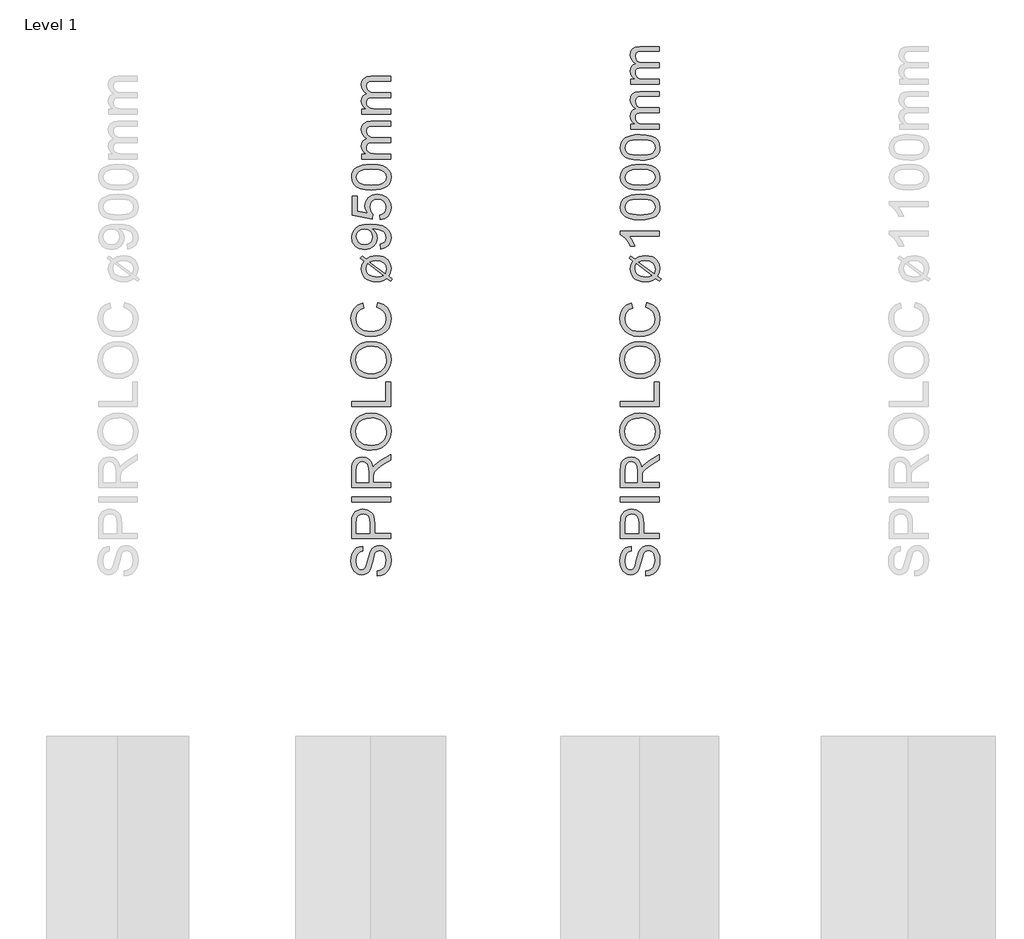
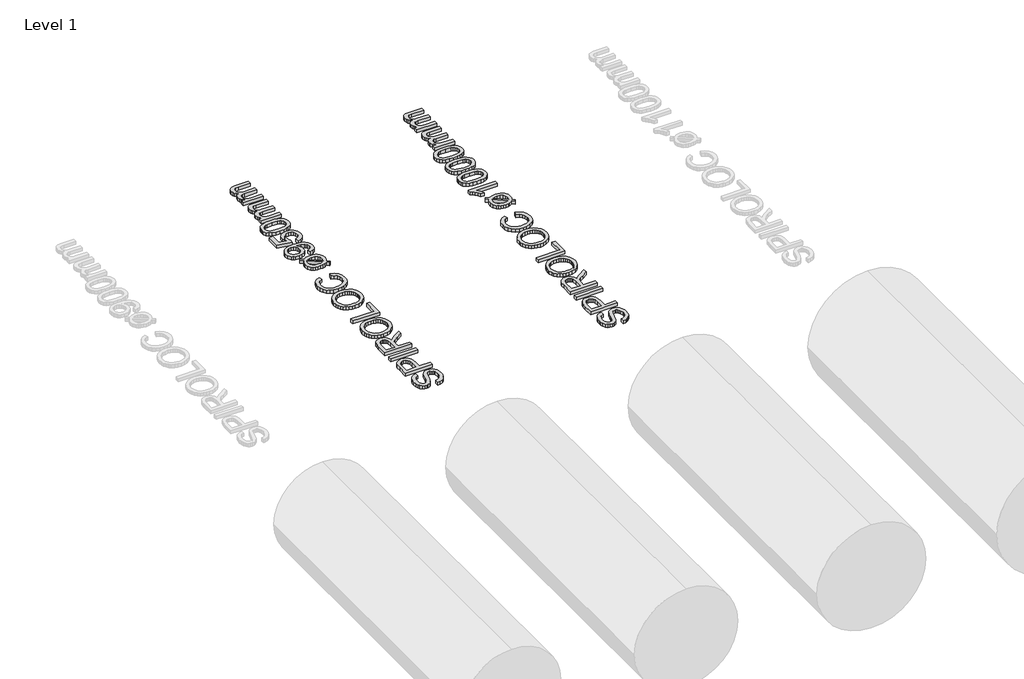
# One storey, part 13 of 19: 2 proxies.
"""IFC4 building model written with IfcOpenShell, lengths in millimetres."""

from ifc_helpers import new_model, si_unit, origin, origin_with_axes, place, context, project, spatial, polyline, outline, extrude, element, save

model = new_model("IFC4")

# Units and contexts
model_context = context("Model", 3, world=origin())
ifc_project = project(units=[si_unit("LENGTHUNIT", "METRE", prefix="MILLI")], contexts=[model_context])

# Site, building, storey
site = spatial("IfcSite", under=ifc_project)
building = spatial("IfcBuilding", under=site)
storey = spatial("IfcBuildingStorey", under=building, Name="Level 1", Elevation=0.0)

# Proxies
placement = place(None, origin())
element("IfcBuildingElementProxy", 1, Name="250mm", ObjectType="250mm", at=placement, inside=storey, context=model_context, shape_type="SweptSolid", body=[
    extrude(outline(polyline([(3788.3043383, 11932.8312074), (3788.3043383, 11963.6004382), (3805.3791581, 11967.1310873), (3819.1036172, 11973.5163036), (3829.9960451, 11983.4772411), (3838.574771, 11997.7350536), (3844.1411773, 12015.1629382), (3845.996646, 12034.6340921), (3840.3776557, 12066.7855344), (3833.7069826, 12078.9474935), (3824.9329441, 12087.5487555), (3814.8593263, 12092.6644406), (3804.2899153, 12094.369669), (3785.0891941, 12089.2614959), (3777.4945427, 12081.479044), (3771.1168383, 12068.3480344), (3759.3680403, 12023.5463517), (3744.1937614, 11975.3191882), (3733.8421989, 11960.002181), (3721.2971268, 11949.1473132), (3706.8289778, 11942.6794647), (3690.7081845, 11940.5235151), (3672.6868504, 11943.190282), (3655.8824633, 11951.1905824), (3641.6396749, 11964.31408), (3631.3031364, 11982.3504382), (3625.0155763, 12004.0000776), (3622.919723, 12027.963419), (3625.1132326, 12053.9249574), (3631.6937614, 12076.6413036), (3642.5260932, 12095.3011594), (3657.4750114, 12109.0932267), (3675.6090258, 12117.822193), (3695.996646, 12121.2927459), (3695.996646, 12090.5235151), (3677.637271, 12084.8744767), (3664.3860691, 12073.0956305), (3656.3632326, 12054.6911834), (3653.6889537, 12029.1653421), (3656.3331845, 12003.0385392), (3664.2658768, 11985.1148613), (3675.9395547, 11974.7482748), (3689.8067422, 11971.2927459), (3701.6306605, 11973.7416642), (3711.1408768, 11981.088419), (3719.6444826, 11998.4562074), (3728.3283768, 12031.3288036), (3743.7730883, 12085.775919), (3754.9359489, 12103.3164839), (3768.7129922, 12115.5535632), (3784.9539778, 12122.7425656), (3803.5086653, 12125.1388998), (3822.4765138, 12122.3819887), (3840.3175595, 12114.1112555), (3855.6721268, 12100.6647411), (3867.1805403, 12082.3804863), (3874.3695427, 12060.392806), (3876.7658768, 12035.8360151), (3874.1817422, 12005.690282), (3866.4293383, 11980.8780824), (3853.4786172, 11961.1139599), (3835.2995307, 11946.1124574), (3813.154098, 11936.4820488), (3788.3043383, 11932.8312074)])), origin_with_axes(), (0.0, 0.0, 1.0), 30.0),
    extrude(outline(polyline([(3872.919723, 12171.2927459), (3626.7658768, 12171.2927459), (3626.7658768, 12262.5187074), (3629.1096268, 12299.2975536), (3633.489134, 12315.6962916), (3640.6180403, 12329.1953901), (3650.8193624, 12340.065282), (3664.4161172, 12348.5763998), (3680.4542783, 12354.0751978), (3697.9798191, 12355.9081305), (3726.9912374, 12350.9577099), (3751.1649153, 12336.1064478), (3760.6826436, 12324.2130434), (3767.481021, 12308.3345127), (3771.5600475, 12288.4708559), (3772.919723, 12264.6220728), (3772.919723, 12202.0619767), (3872.919723, 12202.0619767), (3872.919723, 12171.2927459)]), holes=[polyline([(3742.1504922, 12202.0619767), (3742.1504922, 12266.4249574), (3739.325973, 12293.7086113), (3730.8524153, 12311.7374574), (3717.2556605, 12321.7885392), (3699.0615499, 12325.1388998), (3685.2394345, 12323.1632387), (3673.5807807, 12317.2362555), (3664.8067422, 12308.0941281), (3659.638473, 12296.4730344), (3657.5351076, 12265.7038036), (3657.5351076, 12202.0619767), (3742.1504922, 12202.0619767)])]), origin_with_axes(), (0.0, 0.0, 1.0), 30.0),
    extrude(outline(polyline([(3872.919723, 12402.0619767), (3626.7658768, 12402.0619767), (3626.7658768, 12432.8312074), (3872.919723, 12432.8312074), (3872.919723, 12402.0619767)])), origin_with_axes(), (0.0, 0.0, 1.0), 30.0),
    extrude(outline(polyline([(3872.919723, 12494.369669), (3626.7658768, 12494.369669), (3626.7658768, 12600.4393805), (3628.4260331, 12628.9474935), (3633.4065018, 12649.6881786), (3642.6012133, 12664.8474334), (3656.904098, 12676.6112555), (3674.6399754, 12684.1608349), (3694.1336653, 12686.6773613), (3718.3824633, 12682.5081906), (3738.4846268, 12670.0006786), (3753.2232085, 12648.7792243), (3761.3812614, 12618.4682267), (3774.5423191, 12635.9562074), (3806.2129922, 12660.8961113), (3872.919723, 12701.9417844), (3872.919723, 12666.1845728), (3821.8980883, 12634.1533228), (3788.1240499, 12611.0163036), (3772.168521, 12594.760294), (3766.309146, 12580.1268805), (3765.2274153, 12562.2783228), (3765.2274153, 12525.1388998), (3872.919723, 12525.1388998), (3872.919723, 12494.369669)]), holes=[polyline([(3734.4581845, 12525.1388998), (3734.4581845, 12594.0090921), (3730.1012133, 12629.135294), (3724.4371508, 12640.6887796), (3716.1589057, 12649.0872171), (3706.145384, 12654.2029022), (3695.2754922, 12655.9081305), (3680.2664778, 12652.6554262), (3668.1721268, 12642.8973132), (3660.1943624, 12626.1079502), (3657.5351076, 12601.7614959), (3657.5351076, 12525.1388998), (3734.4581845, 12525.1388998)])]), origin_with_axes(), (0.0, 0.0, 1.0), 30.0),
    extrude(outline(polyline([(3753.0879922, 12728.9850536), (3724.2155463, 12731.0358349), (3698.6559008, 12737.1881786), (3676.4090559, 12747.4420849), (3657.4750114, 12761.7975536), (3642.3570727, 12779.3944587), (3631.5585451, 12799.3726738), (3625.0794285, 12821.732199), (3622.919723, 12846.4730344), (3626.9762133, 12878.759693), (3639.1456845, 12907.7110151), (3658.5717662, 12931.7494767), (3684.3980883, 12949.2975536), (3715.3776557, 12960.0247171), (3750.263473, 12963.6004382), (3785.6150355, 12959.8369166), (3817.0302999, 12948.5463517), (3842.9016941, 12930.3522411), (3861.621646, 12905.8780824), (3872.9798191, 12877.174657), (3876.7658768, 12846.2927459), (3872.5816821, 12813.510294), (3860.029098, 12784.3937074), (3840.2424393, 12760.4153421), (3814.356021, 12743.0475536), (3784.5708648, 12732.5006786), (3753.0879922, 12728.9850536)]), holes=[polyline([(3753.388473, 12759.7542844), (3773.7873612, 12761.2923703), (3791.8950835, 12765.9066281), (3807.71164, 12773.5970578), (3821.2370307, 12784.3636594), (3832.0693624, 12797.4514749), (3839.8067422, 12812.1055464), (3844.4491701, 12828.3258739), (3845.996646, 12846.1124574), (3844.434146, 12864.2032778), (3839.746646, 12880.6151618), (3831.934146, 12895.3481095), (3820.996646, 12908.4021209), (3807.1857987, 12919.0898463), (3790.7532566, 12926.7239358), (3771.6990198, 12931.3043895), (3750.0230883, 12932.8312074), (3722.7845066, 12930.2170248), (3699.2418383, 12922.3744767), (3679.9885331, 12909.5063877), (3665.6180403, 12891.8155824), (3656.6712254, 12870.4739358), (3653.6889537, 12846.6533228), (3659.4356484, 12813.5553661), (3676.6757326, 12785.4153421), (3690.0903209, 12774.1886293), (3707.3473071, 12766.1695488), (3728.4466911, 12761.3581005), (3753.388473, 12759.7542844)])]), origin_with_axes(), (0.0, 0.0, 1.0), 30.0),
    extrude(outline(polyline([(3872.919723, 13005.9081305), (3626.7658768, 13005.9081305), (3626.7658768, 13036.6773613), (3842.1504922, 13036.6773613), (3842.1504922, 13159.7542844), (3872.919723, 13159.7542844), (3872.919723, 13005.9081305)])), origin_with_axes(), (0.0, 0.0, 1.0), 30.0),
    extrude(outline(polyline([(3753.0879922, 13182.8312074), (3724.2155463, 13184.8819887), (3698.6559008, 13191.0343324), (3676.4090559, 13201.2882387), (3657.4750114, 13215.6437074), (3642.3570727, 13233.2406125), (3631.5585451, 13253.2188276), (3625.0794285, 13275.5783529), (3622.919723, 13300.3191882), (3626.9762133, 13332.6058469), (3639.1456845, 13361.557169), (3658.5717662, 13385.5956305), (3684.3980883, 13403.1437074), (3715.3776557, 13413.8708709), (3750.263473, 13417.4465921), (3785.6150355, 13413.6830704), (3817.0302999, 13402.3925055), (3842.9016941, 13384.1983949), (3861.621646, 13359.7242363), (3872.9798191, 13331.0208108), (3876.7658768, 13300.1388998), (3872.5816821, 13267.3564478), (3860.029098, 13238.2398613), (3840.2424393, 13214.2614959), (3814.356021, 13196.8937074), (3784.5708648, 13186.3468324), (3753.0879922, 13182.8312074)]), holes=[polyline([(3753.388473, 13213.6004382), (3773.7873612, 13215.1385242), (3791.8950835, 13219.752782), (3807.71164, 13227.4432117), (3821.2370307, 13238.2098132), (3832.0693624, 13251.2976287), (3839.8067422, 13265.9517002), (3844.4491701, 13282.1720278), (3845.996646, 13299.9586113), (3844.434146, 13318.0494316), (3839.746646, 13334.4613156), (3831.934146, 13349.1942633), (3820.996646, 13362.2482748), (3807.1857987, 13372.9360001), (3790.7532566, 13380.5700897), (3771.6990198, 13385.1505434), (3750.0230883, 13386.6773613), (3722.7845066, 13384.0631786), (3699.2418383, 13376.2206305), (3679.9885331, 13363.3525416), (3665.6180403, 13345.6617363), (3656.6712254, 13324.3200897), (3653.6889537, 13300.4994767), (3659.4356484, 13267.4015199), (3676.6757326, 13239.2614959), (3690.0903209, 13228.0347832), (3707.3473071, 13220.0157026), (3728.4466911, 13215.2042543), (3753.388473, 13213.6004382)])]), origin_with_axes(), (0.0, 0.0, 1.0), 30.0),
    extrude(outline(polyline([(3785.419723, 13632.8312074), (3793.3524153, 13663.6004382), (3829.2072831, 13649.4027219), (3855.4016941, 13627.1220728), (3871.4248311, 13597.8552459), (3876.7658768, 13562.6989959), (3872.7244105, 13527.0093925), (3860.6000114, 13498.666544), (3840.8133528, 13476.9417844), (3813.7851076, 13461.1064478), (3782.0092662, 13451.4384791), (3747.9798191, 13448.2158228), (3712.0873912, 13451.8591522), (3681.0927999, 13462.7891401), (3655.9801196, 13480.4348733), (3637.7334249, 13504.2254382), (3626.6231484, 13532.4405824), (3622.919723, 13563.3600536), (3627.7123912, 13597.096532), (3642.090396, 13624.9886594), (3665.1673191, 13646.1650416), (3696.0567422, 13659.7542844), (3703.388473, 13628.9850536), (3680.9500715, 13618.3179863), (3665.5579441, 13603.744669), (3656.6562013, 13585.0848132), (3653.6889537, 13562.1581305), (3656.9792182, 13535.7308469), (3666.8500114, 13514.0211113), (3682.2646749, 13497.5472531), (3702.1865499, 13486.8276017), (3724.7075835, 13480.9456906), (3747.919723, 13478.9850536), (3776.3452037, 13481.3062675), (3800.9245307, 13488.2699094), (3820.7187013, 13500.1388998), (3834.7887133, 13517.1761594), (3843.1946629, 13537.6013397), (3845.996646, 13559.6340921), (3842.1805403, 13585.3176858), (3830.732223, 13606.7194286), (3811.7718864, 13622.877782), (3785.419723, 13632.8312074)])), origin_with_axes(), (0.0, 0.0, 1.0), 30.0),
    extrude(outline(polyline([(3705.8524153, 13924.8985151), (3681.5735691, 13943.2879382), (3692.7514537, 13957.9513998), (3718.1721268, 13938.6605344), (3744.434146, 13954.1653421), (3783.6168383, 13959.7542844), (3807.1595066, 13958.0077399), (3827.3668383, 13952.7681065), (3844.2388335, 13944.0353841), (3857.7754922, 13931.8095728), (3872.0182807, 13906.8245969), (3876.7658768, 13877.182169), (3872.7244105, 13852.4375776), (3860.6000114, 13830.7278421), (3884.4581845, 13812.6388998), (3873.5206845, 13797.7350536), (3850.7442422, 13815.0427459), (3827.5471268, 13801.0403421), (3807.7454441, 13796.0373373), (3785.4798191, 13794.369669), (3761.593476, 13795.8870969), (3741.2565619, 13800.4393805), (3724.4690769, 13808.0265199), (3711.231021, 13818.6485151), (3694.036009, 13845.0457507), (3688.3043383, 13875.6797651), (3692.5411172, 13900.619669), (3705.8524153, 13924.8985151)]), holes=[polyline([(3727.7274153, 13908.3119767), (3721.2370307, 13892.9273613), (3719.0735691, 13876.8215921), (3723.2277158, 13856.6142603), (3735.6901557, 13839.9826498), (3756.3707446, 13828.8498373), (3785.1793383, 13825.1388998), (3807.5952037, 13827.2873373), (3826.044723, 13833.7326498), (3727.7274153, 13908.3119767)]), polyline([(3743.1120307, 13919.7903421), (3840.888473, 13845.6316882), (3845.996646, 13875.1989959), (3841.9326436, 13896.5331305), (3829.7406364, 13913.7807267), (3809.4356484, 13925.1839719), (3781.0327037, 13928.9850536), (3759.8187614, 13926.6413036), (3743.1120307, 13919.7903421)])]), origin_with_axes(), (0.0, 0.0, 1.0), 30.0),
    extrude(outline(polyline([(3811.3812614, 14002.0619767), (3807.5351076, 14032.8312074), (3825.0005523, 14038.0896209), (3836.8920787, 14046.6533228), (3843.7205042, 14058.3119767), (3845.996646, 14072.8552459), (3840.137271, 14097.7651017), (3833.2938215, 14107.6208709), (3824.482223, 14114.6521209), (3797.7394345, 14124.7182267), (3762.0423191, 14129.1653421), (3756.0327037, 14128.9850536), (3769.043521, 14118.3254983), (3779.3500114, 14104.3756786), (3786.0657566, 14088.142205), (3788.3043383, 14070.6316882), (3782.8355883, 14042.5742964), (3766.4293383, 14019.2194286), (3741.0837855, 14003.4667243), (3708.7971268, 13998.2158228), (3675.4437614, 14003.7221329), (3661.4714057, 14010.6050206), (3649.3019345, 14020.2410632), (3632.3998912, 14045.0532627), (3626.7658768, 14075.4393805), (3629.981021, 14098.3885993), (3639.6264537, 14119.2795248), (3655.2214057, 14136.7524815), (3676.2851076, 14149.447794), (3705.4016941, 14157.1776618), (3745.1552999, 14159.7542844), (3787.3052398, 14157.1851738), (3819.8848672, 14149.4778421), (3844.3665379, 14136.6998974), (3862.2226076, 14118.9189478), (3873.1300595, 14096.9012195), (3876.7658768, 14071.4129382), (3872.4765138, 14045.1058469), (3859.6084249, 14024.1172651), (3838.9729081, 14009.4387796), (3811.3812614, 14002.0619767)]), holes=[polyline([(3708.075973, 14128.9850536), (3687.2226076, 14125.6647411), (3671.1769345, 14115.7038036), (3660.9455643, 14100.244068), (3657.5351076, 14080.4273613), (3661.208485, 14059.8744767), (3672.2286172, 14043.4081305), (3689.0931004, 14032.5908228), (3710.2995307, 14028.9850536), (3729.3124513, 14032.3955103), (3744.404098, 14042.6268805), (3754.2523552, 14058.6875776), (3757.5351076, 14079.5860151), (3754.2523552, 14099.2449695), (3744.404098, 14115.072794), (3728.7565619, 14125.5069887), (3708.075973, 14128.9850536)])]), origin_with_axes(), (0.0, 0.0, 1.0), 30.0),
    extrude(outline(polyline([(3807.5351076, 14186.6773613), (3803.6889537, 14217.4465921), (3822.161009, 14223.0956305), (3835.3896749, 14232.9513998), (3843.3449033, 14246.9688276), (3845.996646, 14265.1028421), (3842.3082446, 14287.1581305), (3831.2430403, 14303.6845728), (3814.0780763, 14314.0060873), (3792.090396, 14317.4465921), (3771.387271, 14314.2239358), (3755.5519345, 14304.5559671), (3745.5008528, 14288.3675656), (3742.1504922, 14265.5836113), (3747.4990499, 14238.5703901), (3761.3812614, 14221.2927459), (3757.5351076, 14190.5235151), (3630.6120307, 14217.4465921), (3630.6120307, 14336.6773613), (3661.3812614, 14336.6773613), (3661.3812614, 14242.3263998), (3729.169723, 14229.1653421), (3715.8283768, 14251.1455103), (3711.3812614, 14274.1773613), (3716.8950835, 14302.9258589), (3733.4365499, 14326.791544), (3758.6468864, 14342.8597531), (3790.1673191, 14348.2158228), (3820.9365499, 14343.3931065), (3847.2586653, 14328.9249574), (3860.1680703, 14316.1395007), (3869.3890739, 14301.2206305), (3874.9216761, 14284.1683469), (3876.7658768, 14264.9826498), (3872.0257927, 14234.7617964), (3857.8055403, 14210.6857748), (3835.7577638, 14194.1818685), (3807.5351076, 14186.6773613)])), origin_with_axes(), (0.0, 0.0, 1.0), 30.0),
    extrude(outline(polyline([(3751.825973, 14375.1388998), (3712.4254321, 14377.4000175), (3681.0026557, 14384.1833709), (3657.0768744, 14395.4213517), (3640.1673191, 14411.0463517), (3630.1162374, 14431.1710512), (3626.7658768, 14455.9081305), (3628.7490499, 14474.8684671), (3634.6985691, 14491.8456305), (3644.3815619, 14506.0433469), (3657.5651557, 14516.6653421), (3693.9834249, 14531.088419), (3719.1862494, 14535.2801257), (3751.825973, 14536.6773613), (3791.0011533, 14534.4387796), (3822.3488095, 14527.7230344), (3846.2971268, 14516.5526618), (3863.2742903, 14500.9501978), (3873.3929802, 14480.7804262), (3876.7658768, 14455.9081305), (3875.3010331, 14438.9610151), (3870.9065018, 14423.9369767), (3863.5822831, 14410.8360151), (3853.3283768, 14399.6581305), (3834.7924694, 14388.9309671), (3811.6967662, 14381.2687074), (3784.0412674, 14376.6713517), (3751.825973, 14375.1388998)]), holes=[polyline([(3751.7658768, 14405.9081305), (3800.1658167, 14409.5138998), (3816.7204291, 14414.0211113), (3828.1781364, 14420.3312074), (3841.5420186, 14436.4369767), (3845.996646, 14455.9081305), (3841.5269946, 14475.3792844), (3828.1180403, 14491.4850536), (3816.6415529, 14497.7951498), (3800.0906965, 14502.3023613), (3751.7658768, 14505.9081305), (3704.4551797, 14502.4225536), (3687.9550295, 14498.0655824), (3676.2250114, 14491.9658228), (3662.2075835, 14475.8901017), (3657.5351076, 14455.5475536), (3661.6516941, 14436.2867363), (3674.0014537, 14420.8119767), (3686.7718864, 14414.291544), (3703.9894345, 14409.6340921), (3751.7658768, 14405.9081305)])]), origin_with_axes(), (0.0, 0.0, 1.0), 30.0),
    extrude(outline(polyline([(3872.919723, 14571.2927459), (3692.1504922, 14571.2927459), (3692.1504922, 14602.0619767), (3721.8980883, 14602.0619767), (3708.2337254, 14611.3167844), (3697.529098, 14623.2158228), (3690.6105283, 14637.353443), (3688.3043383, 14653.3239959), (3690.6556004, 14670.4363757), (3697.7093864, 14684.1533228), (3708.9999513, 14694.3997171), (3724.0615499, 14701.1004382), (3708.4177698, 14712.3158829), (3697.2436412, 14725.1088517), (3690.5391641, 14739.4793445), (3688.3043383, 14755.4273613), (3692.0227879, 14778.5568685), (3703.1781364, 14795.6617363), (3722.0708648, 14806.2311474), (3749.0014537, 14809.7542844), (3872.919723, 14809.7542844), (3872.919723, 14778.9850536), (3762.2226076, 14778.9850536), (3736.5315018, 14776.1304863), (3723.8812614, 14765.7939478), (3719.0735691, 14748.2158228), (3722.153497, 14731.5466522), (3731.3932807, 14717.9574094), (3747.4239297, 14708.9204502), (3770.8764537, 14705.9081305), (3872.919723, 14705.9081305), (3872.919723, 14675.1388998), (3758.7971268, 14675.1388998), (3741.3992903, 14673.3585512), (3728.9894345, 14668.0175055), (3721.5525355, 14658.6199695), (3719.0735691, 14644.6701498), (3720.7262133, 14632.8161834), (3725.684146, 14621.8937074), (3733.8271749, 14612.8792844), (3745.0351076, 14606.7494767), (3781.7538576, 14602.0619767), (3872.919723, 14602.0619767), (3872.919723, 14571.2927459)])), origin_with_axes(), (0.0, 0.0, 1.0), 30.0),
    extrude(outline(polyline([(3872.919723, 14855.9081305), (3692.1504922, 14855.9081305), (3692.1504922, 14886.6773613), (3721.8980883, 14886.6773613), (3708.2337254, 14895.932169), (3697.529098, 14907.8312074), (3690.6105283, 14921.9688276), (3688.3043383, 14937.9393805), (3690.6556004, 14955.0517603), (3697.7093864, 14968.7687074), (3708.9999513, 14979.0151017), (3724.0615499, 14985.7158228), (3708.4177698, 14996.9312675), (3697.2436412, 15009.7242363), (3690.5391641, 15024.0947291), (3688.3043383, 15040.0427459), (3692.0227879, 15063.1722531), (3703.1781364, 15080.2771209), (3722.0708648, 15090.846532), (3749.0014537, 15094.369669), (3872.919723, 15094.369669), (3872.919723, 15063.6004382), (3762.2226076, 15063.6004382), (3736.5315018, 15060.7458709), (3723.8812614, 15050.4093324), (3719.0735691, 15032.8312074), (3722.153497, 15016.1620368), (3731.3932807, 15002.572794), (3747.4239297, 14993.5358349), (3770.8764537, 14990.5235151), (3872.919723, 14990.5235151), (3872.919723, 14959.7542844), (3758.7971268, 14959.7542844), (3741.3992903, 14957.9739358), (3728.9894345, 14952.6328901), (3721.5525355, 14943.2353541), (3719.0735691, 14929.2855344), (3720.7262133, 14917.431568), (3725.684146, 14906.5090921), (3733.8271749, 14897.494669), (3745.0351076, 14891.3648613), (3781.7538576, 14886.6773613), (3872.919723, 14886.6773613), (3872.919723, 14855.9081305)])), origin_with_axes(), (0.0, 0.0, 1.0), 30.0),
])
element("IfcBuildingElementProxy", 2, Name="250mm", ObjectType="250mm", at=placement, inside=storey, context=model_context, shape_type="SweptSolid", body=[
    extrude(outline(polyline([(5488.3043383, 11932.8312074), (5488.3043383, 11963.6004382), (5505.3791581, 11967.1310873), (5519.1036172, 11973.5163036), (5529.9960451, 11983.4772411), (5538.574771, 11997.7350536), (5544.1411773, 12015.1629382), (5545.996646, 12034.6340921), (5540.3776557, 12066.7855344), (5533.7069826, 12078.9474935), (5524.9329441, 12087.5487555), (5514.8593263, 12092.6644406), (5504.2899153, 12094.369669), (5485.0891941, 12089.2614959), (5477.4945427, 12081.479044), (5471.1168383, 12068.3480344), (5459.3680403, 12023.5463517), (5444.1937614, 11975.3191882), (5433.8421989, 11960.002181), (5421.2971268, 11949.1473132), (5406.8289778, 11942.6794647), (5390.7081845, 11940.5235151), (5372.6868504, 11943.190282), (5355.8824633, 11951.1905824), (5341.6396749, 11964.31408), (5331.3031364, 11982.3504382), (5325.0155763, 12004.0000776), (5322.919723, 12027.963419), (5325.1132326, 12053.9249574), (5331.6937614, 12076.6413036), (5342.5260932, 12095.3011594), (5357.4750114, 12109.0932267), (5375.6090258, 12117.822193), (5395.996646, 12121.2927459), (5395.996646, 12090.5235151), (5377.637271, 12084.8744767), (5364.3860691, 12073.0956305), (5356.3632326, 12054.6911834), (5353.6889537, 12029.1653421), (5356.3331845, 12003.0385392), (5364.2658768, 11985.1148613), (5375.9395547, 11974.7482748), (5389.8067422, 11971.2927459), (5401.6306605, 11973.7416642), (5411.1408768, 11981.088419), (5419.6444826, 11998.4562074), (5428.3283768, 12031.3288036), (5443.7730883, 12085.775919), (5454.9359489, 12103.3164839), (5468.7129922, 12115.5535632), (5484.9539778, 12122.7425656), (5503.5086653, 12125.1388998), (5522.4765138, 12122.3819887), (5540.3175595, 12114.1112555), (5555.6721268, 12100.6647411), (5567.1805403, 12082.3804863), (5574.3695427, 12060.392806), (5576.7658768, 12035.8360151), (5574.1817422, 12005.690282), (5566.4293383, 11980.8780824), (5553.4786172, 11961.1139599), (5535.2995307, 11946.1124574), (5513.154098, 11936.4820488), (5488.3043383, 11932.8312074)])), origin_with_axes(), (0.0, 0.0, 1.0), 30.0),
    extrude(outline(polyline([(5572.919723, 12171.2927459), (5326.7658768, 12171.2927459), (5326.7658768, 12262.5187074), (5329.1096268, 12299.2975536), (5333.489134, 12315.6962916), (5340.6180403, 12329.1953901), (5350.8193624, 12340.065282), (5364.4161172, 12348.5763998), (5380.4542783, 12354.0751978), (5397.9798191, 12355.9081305), (5426.9912374, 12350.9577099), (5451.1649153, 12336.1064478), (5460.6826436, 12324.2130434), (5467.481021, 12308.3345127), (5471.5600475, 12288.4708559), (5472.919723, 12264.6220728), (5472.919723, 12202.0619767), (5572.919723, 12202.0619767), (5572.919723, 12171.2927459)]), holes=[polyline([(5442.1504922, 12202.0619767), (5442.1504922, 12266.4249574), (5439.325973, 12293.7086113), (5430.8524153, 12311.7374574), (5417.2556605, 12321.7885392), (5399.0615499, 12325.1388998), (5385.2394345, 12323.1632387), (5373.5807807, 12317.2362555), (5364.8067422, 12308.0941281), (5359.638473, 12296.4730344), (5357.5351076, 12265.7038036), (5357.5351076, 12202.0619767), (5442.1504922, 12202.0619767)])]), origin_with_axes(), (0.0, 0.0, 1.0), 30.0),
    extrude(outline(polyline([(5572.919723, 12402.0619767), (5326.7658768, 12402.0619767), (5326.7658768, 12432.8312074), (5572.919723, 12432.8312074), (5572.919723, 12402.0619767)])), origin_with_axes(), (0.0, 0.0, 1.0), 30.0),
    extrude(outline(polyline([(5572.919723, 12494.369669), (5326.7658768, 12494.369669), (5326.7658768, 12600.4393805), (5328.4260331, 12628.9474935), (5333.4065018, 12649.6881786), (5342.6012133, 12664.8474334), (5356.904098, 12676.6112555), (5374.6399754, 12684.1608349), (5394.1336653, 12686.6773613), (5418.3824633, 12682.5081906), (5438.4846268, 12670.0006786), (5453.2232085, 12648.7792243), (5461.3812614, 12618.4682267), (5474.5423191, 12635.9562074), (5506.2129922, 12660.8961113), (5572.919723, 12701.9417844), (5572.919723, 12666.1845728), (5521.8980883, 12634.1533228), (5488.1240499, 12611.0163036), (5472.168521, 12594.760294), (5466.309146, 12580.1268805), (5465.2274153, 12562.2783228), (5465.2274153, 12525.1388998), (5572.919723, 12525.1388998), (5572.919723, 12494.369669)]), holes=[polyline([(5434.4581845, 12525.1388998), (5434.4581845, 12594.0090921), (5430.1012133, 12629.135294), (5424.4371508, 12640.6887796), (5416.1589057, 12649.0872171), (5406.145384, 12654.2029022), (5395.2754922, 12655.9081305), (5380.2664778, 12652.6554262), (5368.1721268, 12642.8973132), (5360.1943624, 12626.1079502), (5357.5351076, 12601.7614959), (5357.5351076, 12525.1388998), (5434.4581845, 12525.1388998)])]), origin_with_axes(), (0.0, 0.0, 1.0), 30.0),
    extrude(outline(polyline([(5453.0879922, 12728.9850536), (5424.2155463, 12731.0358349), (5398.6559008, 12737.1881786), (5376.4090559, 12747.4420849), (5357.4750114, 12761.7975536), (5342.3570727, 12779.3944587), (5331.5585451, 12799.3726738), (5325.0794285, 12821.732199), (5322.919723, 12846.4730344), (5326.9762133, 12878.759693), (5339.1456845, 12907.7110151), (5358.5717662, 12931.7494767), (5384.3980883, 12949.2975536), (5415.3776557, 12960.0247171), (5450.263473, 12963.6004382), (5485.6150355, 12959.8369166), (5517.0302999, 12948.5463517), (5542.9016941, 12930.3522411), (5561.621646, 12905.8780824), (5572.9798191, 12877.174657), (5576.7658768, 12846.2927459), (5572.5816821, 12813.510294), (5560.029098, 12784.3937074), (5540.2424393, 12760.4153421), (5514.356021, 12743.0475536), (5484.5708648, 12732.5006786), (5453.0879922, 12728.9850536)]), holes=[polyline([(5453.388473, 12759.7542844), (5473.7873612, 12761.2923703), (5491.8950835, 12765.9066281), (5507.71164, 12773.5970578), (5521.2370307, 12784.3636594), (5532.0693624, 12797.4514749), (5539.8067422, 12812.1055464), (5544.4491701, 12828.3258739), (5545.996646, 12846.1124574), (5544.434146, 12864.2032778), (5539.746646, 12880.6151618), (5531.934146, 12895.3481095), (5520.996646, 12908.4021209), (5507.1857987, 12919.0898463), (5490.7532566, 12926.7239358), (5471.6990198, 12931.3043895), (5450.0230883, 12932.8312074), (5422.7845066, 12930.2170248), (5399.2418383, 12922.3744767), (5379.9885331, 12909.5063877), (5365.6180403, 12891.8155824), (5356.6712254, 12870.4739358), (5353.6889537, 12846.6533228), (5359.4356484, 12813.5553661), (5376.6757326, 12785.4153421), (5390.0903209, 12774.1886293), (5407.3473071, 12766.1695488), (5428.4466911, 12761.3581005), (5453.388473, 12759.7542844)])]), origin_with_axes(), (0.0, 0.0, 1.0), 30.0),
    extrude(outline(polyline([(5572.919723, 13005.9081305), (5326.7658768, 13005.9081305), (5326.7658768, 13036.6773613), (5542.1504922, 13036.6773613), (5542.1504922, 13159.7542844), (5572.919723, 13159.7542844), (5572.919723, 13005.9081305)])), origin_with_axes(), (0.0, 0.0, 1.0), 30.0),
    extrude(outline(polyline([(5453.0879922, 13182.8312074), (5424.2155463, 13184.8819887), (5398.6559008, 13191.0343324), (5376.4090559, 13201.2882387), (5357.4750114, 13215.6437074), (5342.3570727, 13233.2406125), (5331.5585451, 13253.2188276), (5325.0794285, 13275.5783529), (5322.919723, 13300.3191882), (5326.9762133, 13332.6058469), (5339.1456845, 13361.557169), (5358.5717662, 13385.5956305), (5384.3980883, 13403.1437074), (5415.3776557, 13413.8708709), (5450.263473, 13417.4465921), (5485.6150355, 13413.6830704), (5517.0302999, 13402.3925055), (5542.9016941, 13384.1983949), (5561.621646, 13359.7242363), (5572.9798191, 13331.0208108), (5576.7658768, 13300.1388998), (5572.5816821, 13267.3564478), (5560.029098, 13238.2398613), (5540.2424393, 13214.2614959), (5514.356021, 13196.8937074), (5484.5708648, 13186.3468324), (5453.0879922, 13182.8312074)]), holes=[polyline([(5453.388473, 13213.6004382), (5473.7873612, 13215.1385242), (5491.8950835, 13219.752782), (5507.71164, 13227.4432117), (5521.2370307, 13238.2098132), (5532.0693624, 13251.2976287), (5539.8067422, 13265.9517002), (5544.4491701, 13282.1720278), (5545.996646, 13299.9586113), (5544.434146, 13318.0494316), (5539.746646, 13334.4613156), (5531.934146, 13349.1942633), (5520.996646, 13362.2482748), (5507.1857987, 13372.9360001), (5490.7532566, 13380.5700897), (5471.6990198, 13385.1505434), (5450.0230883, 13386.6773613), (5422.7845066, 13384.0631786), (5399.2418383, 13376.2206305), (5379.9885331, 13363.3525416), (5365.6180403, 13345.6617363), (5356.6712254, 13324.3200897), (5353.6889537, 13300.4994767), (5359.4356484, 13267.4015199), (5376.6757326, 13239.2614959), (5390.0903209, 13228.0347832), (5407.3473071, 13220.0157026), (5428.4466911, 13215.2042543), (5453.388473, 13213.6004382)])]), origin_with_axes(), (0.0, 0.0, 1.0), 30.0),
    extrude(outline(polyline([(5485.419723, 13632.8312074), (5493.3524153, 13663.6004382), (5529.2072831, 13649.4027219), (5555.4016941, 13627.1220728), (5571.4248311, 13597.8552459), (5576.7658768, 13562.6989959), (5572.7244105, 13527.0093925), (5560.6000114, 13498.666544), (5540.8133528, 13476.9417844), (5513.7851076, 13461.1064478), (5482.0092662, 13451.4384791), (5447.9798191, 13448.2158228), (5412.0873912, 13451.8591522), (5381.0927999, 13462.7891401), (5355.9801196, 13480.4348733), (5337.7334249, 13504.2254382), (5326.6231484, 13532.4405824), (5322.919723, 13563.3600536), (5327.7123912, 13597.096532), (5342.090396, 13624.9886594), (5365.1673191, 13646.1650416), (5396.0567422, 13659.7542844), (5403.388473, 13628.9850536), (5380.9500715, 13618.3179863), (5365.5579441, 13603.744669), (5356.6562013, 13585.0848132), (5353.6889537, 13562.1581305), (5356.9792182, 13535.7308469), (5366.8500114, 13514.0211113), (5382.2646749, 13497.5472531), (5402.1865499, 13486.8276017), (5424.7075835, 13480.9456906), (5447.919723, 13478.9850536), (5476.3452037, 13481.3062675), (5500.9245307, 13488.2699094), (5520.7187013, 13500.1388998), (5534.7887133, 13517.1761594), (5543.1946629, 13537.6013397), (5545.996646, 13559.6340921), (5542.1805403, 13585.3176858), (5530.732223, 13606.7194286), (5511.7718864, 13622.877782), (5485.419723, 13632.8312074)])), origin_with_axes(), (0.0, 0.0, 1.0), 30.0),
    extrude(outline(polyline([(5405.8524153, 13924.8985151), (5381.5735691, 13943.2879382), (5392.7514537, 13957.9513998), (5418.1721268, 13938.6605344), (5444.434146, 13954.1653421), (5483.6168383, 13959.7542844), (5507.1595066, 13958.0077399), (5527.3668383, 13952.7681065), (5544.2388335, 13944.0353841), (5557.7754922, 13931.8095728), (5572.0182807, 13906.8245969), (5576.7658768, 13877.182169), (5572.7244105, 13852.4375776), (5560.6000114, 13830.7278421), (5584.4581845, 13812.6388998), (5573.5206845, 13797.7350536), (5550.7442422, 13815.0427459), (5527.5471268, 13801.0403421), (5507.7454441, 13796.0373373), (5485.4798191, 13794.369669), (5461.593476, 13795.8870969), (5441.2565619, 13800.4393805), (5424.4690769, 13808.0265199), (5411.231021, 13818.6485151), (5394.036009, 13845.0457507), (5388.3043383, 13875.6797651), (5392.5411172, 13900.619669), (5405.8524153, 13924.8985151)]), holes=[polyline([(5427.7274153, 13908.3119767), (5421.2370307, 13892.9273613), (5419.0735691, 13876.8215921), (5423.2277158, 13856.6142603), (5435.6901557, 13839.9826498), (5456.3707446, 13828.8498373), (5485.1793383, 13825.1388998), (5507.5952037, 13827.2873373), (5526.044723, 13833.7326498), (5427.7274153, 13908.3119767)]), polyline([(5443.1120307, 13919.7903421), (5540.888473, 13845.6316882), (5545.996646, 13875.1989959), (5541.9326436, 13896.5331305), (5529.7406364, 13913.7807267), (5509.4356484, 13925.1839719), (5481.0327037, 13928.9850536), (5459.8187614, 13926.6413036), (5443.1120307, 13919.7903421)])]), origin_with_axes(), (0.0, 0.0, 1.0), 30.0),
    extrude(outline(polyline([(5572.919723, 14113.6004382), (5572.919723, 14082.8312074), (5381.0927999, 14082.8312074), (5401.856021, 14053.6845728), (5417.3908768, 14021.2927459), (5388.3043383, 14021.2927459), (5375.1583047, 14045.4589118), (5359.5182807, 14066.3949094), (5342.8866701, 14082.8988156), (5326.7658768, 14093.7687074), (5326.7658768, 14113.6004382), (5572.919723, 14113.6004382)])), origin_with_axes(), (0.0, 0.0, 1.0), 30.0),
    extrude(outline(polyline([(5451.825973, 14186.6773613), (5412.4254321, 14188.9384791), (5381.0026557, 14195.7218324), (5357.0768744, 14206.9598132), (5340.1673191, 14222.5848132), (5330.1162374, 14242.7095127), (5326.7658768, 14267.4465921), (5328.7490499, 14286.4069286), (5334.6985691, 14303.3840921), (5344.3815619, 14317.5818084), (5357.5651557, 14328.2038036), (5393.9834249, 14342.6268805), (5419.1862494, 14346.8185873), (5451.825973, 14348.2158228), (5491.0011533, 14345.9772411), (5522.3488095, 14339.2614959), (5546.2971268, 14328.0911233), (5563.2742903, 14312.4886594), (5573.3929802, 14292.3188877), (5576.7658768, 14267.4465921), (5575.3010331, 14250.4994767), (5570.9065018, 14235.4754382), (5563.5822831, 14222.3744767), (5553.3283768, 14211.1965921), (5534.7924694, 14200.4694286), (5511.6967662, 14192.807169), (5484.0412674, 14188.2098132), (5451.825973, 14186.6773613)]), holes=[polyline([(5451.7658768, 14217.4465921), (5500.1658167, 14221.0523613), (5516.7204291, 14225.5595728), (5528.1781364, 14231.869669), (5541.5420186, 14247.9754382), (5545.996646, 14267.4465921), (5541.5269946, 14286.9177459), (5528.1180403, 14303.0235151), (5516.6415529, 14309.3336113), (5500.0906965, 14313.8408228), (5451.7658768, 14317.4465921), (5404.4551797, 14313.9610151), (5387.9550295, 14309.604044), (5376.2250114, 14303.5042844), (5362.2075835, 14287.4285632), (5357.5351076, 14267.0860151), (5361.6516941, 14247.8251978), (5374.0014537, 14232.3504382), (5386.7718864, 14225.8300055), (5403.9894345, 14221.1725536), (5451.7658768, 14217.4465921)])]), origin_with_axes(), (0.0, 0.0, 1.0), 30.0),
    extrude(outline(polyline([(5451.825973, 14375.1388998), (5412.4254321, 14377.4000175), (5381.0026557, 14384.1833709), (5357.0768744, 14395.4213517), (5340.1673191, 14411.0463517), (5330.1162374, 14431.1710512), (5326.7658768, 14455.9081305), (5328.7490499, 14474.8684671), (5334.6985691, 14491.8456305), (5344.3815619, 14506.0433469), (5357.5651557, 14516.6653421), (5393.9834249, 14531.088419), (5419.1862494, 14535.2801257), (5451.825973, 14536.6773613), (5491.0011533, 14534.4387796), (5522.3488095, 14527.7230344), (5546.2971268, 14516.5526618), (5563.2742903, 14500.9501978), (5573.3929802, 14480.7804262), (5576.7658768, 14455.9081305), (5575.3010331, 14438.9610151), (5570.9065018, 14423.9369767), (5563.5822831, 14410.8360151), (5553.3283768, 14399.6581305), (5534.7924694, 14388.9309671), (5511.6967662, 14381.2687074), (5484.0412674, 14376.6713517), (5451.825973, 14375.1388998)]), holes=[polyline([(5451.7658768, 14405.9081305), (5500.1658167, 14409.5138998), (5516.7204291, 14414.0211113), (5528.1781364, 14420.3312074), (5541.5420186, 14436.4369767), (5545.996646, 14455.9081305), (5541.5269946, 14475.3792844), (5528.1180403, 14491.4850536), (5516.6415529, 14497.7951498), (5500.0906965, 14502.3023613), (5451.7658768, 14505.9081305), (5404.4551797, 14502.4225536), (5387.9550295, 14498.0655824), (5376.2250114, 14491.9658228), (5362.2075835, 14475.8901017), (5357.5351076, 14455.5475536), (5361.6516941, 14436.2867363), (5374.0014537, 14420.8119767), (5386.7718864, 14414.291544), (5403.9894345, 14409.6340921), (5451.7658768, 14405.9081305)])]), origin_with_axes(), (0.0, 0.0, 1.0), 30.0),
    extrude(outline(polyline([(5451.825973, 14563.6004382), (5412.4254321, 14565.861556), (5381.0026557, 14572.6449094), (5357.0768744, 14583.8828901), (5340.1673191, 14599.5078901), (5330.1162374, 14619.6325897), (5326.7658768, 14644.369669), (5328.7490499, 14663.3300055), (5334.6985691, 14680.307169), (5344.3815619, 14694.5048853), (5357.5651557, 14705.1268805), (5393.9834249, 14719.5499574), (5419.1862494, 14723.7416642), (5451.825973, 14725.1388998), (5491.0011533, 14722.900318), (5522.3488095, 14716.1845728), (5546.2971268, 14705.0142002), (5563.2742903, 14689.4117363), (5573.3929802, 14669.2419647), (5576.7658768, 14644.369669), (5575.3010331, 14627.4225536), (5570.9065018, 14612.3985151), (5563.5822831, 14599.2975536), (5553.3283768, 14588.119669), (5534.7924694, 14577.3925055), (5511.6967662, 14569.7302459), (5484.0412674, 14565.1328901), (5451.825973, 14563.6004382)]), holes=[polyline([(5451.7658768, 14594.369669), (5500.1658167, 14597.9754382), (5516.7204291, 14602.4826498), (5528.1781364, 14608.7927459), (5541.5420186, 14624.8985151), (5545.996646, 14644.369669), (5541.5269946, 14663.8408228), (5528.1180403, 14679.9465921), (5516.6415529, 14686.2566882), (5500.0906965, 14690.7638998), (5451.7658768, 14694.369669), (5404.4551797, 14690.8840921), (5387.9550295, 14686.5271209), (5376.2250114, 14680.4273613), (5362.2075835, 14664.3516401), (5357.5351076, 14644.0090921), (5361.6516941, 14624.7482748), (5374.0014537, 14609.2735151), (5386.7718864, 14602.7530824), (5403.9894345, 14598.0956305), (5451.7658768, 14594.369669)])]), origin_with_axes(), (0.0, 0.0, 1.0), 30.0),
    extrude(outline(polyline([(5572.919723, 14759.7542844), (5392.1504922, 14759.7542844), (5392.1504922, 14790.5235151), (5421.8980883, 14790.5235151), (5408.2337254, 14799.7783228), (5397.529098, 14811.6773613), (5390.6105283, 14825.8149815), (5388.3043383, 14841.7855344), (5390.6556004, 14858.8979142), (5397.7093864, 14872.6148613), (5408.9999513, 14882.8612555), (5424.0615499, 14889.5619767), (5408.4177698, 14900.7774214), (5397.2436412, 14913.5703901), (5390.5391641, 14927.9408829), (5388.3043383, 14943.8888998), (5392.0227879, 14967.018407), (5403.1781364, 14984.1232748), (5422.0708648, 14994.6926858), (5449.0014537, 14998.2158228), (5572.919723, 14998.2158228), (5572.919723, 14967.4465921), (5462.2226076, 14967.4465921), (5436.5315018, 14964.5920248), (5423.8812614, 14954.2554863), (5419.0735691, 14936.6773613), (5422.153497, 14920.0081906), (5431.3932807, 14906.4189478), (5447.4239297, 14897.3819887), (5470.8764537, 14894.369669), (5572.919723, 14894.369669), (5572.919723, 14863.6004382), (5458.7971268, 14863.6004382), (5441.3992903, 14861.8200897), (5428.9894345, 14856.479044), (5421.5525355, 14847.0815079), (5419.0735691, 14833.1316882), (5420.7262133, 14821.2777219), (5425.684146, 14810.3552459), (5433.8271749, 14801.3408228), (5445.0351076, 14795.2110151), (5481.7538576, 14790.5235151), (5572.919723, 14790.5235151), (5572.919723, 14759.7542844)])), origin_with_axes(), (0.0, 0.0, 1.0), 30.0),
    extrude(outline(polyline([(5572.919723, 15044.369669), (5392.1504922, 15044.369669), (5392.1504922, 15075.1388998), (5421.8980883, 15075.1388998), (5408.2337254, 15084.3937074), (5397.529098, 15096.2927459), (5390.6105283, 15110.4303661), (5388.3043383, 15126.400919), (5390.6556004, 15143.5132988), (5397.7093864, 15157.2302459), (5408.9999513, 15167.4766401), (5424.0615499, 15174.1773613), (5408.4177698, 15185.392806), (5397.2436412, 15198.1857748), (5390.5391641, 15212.5562675), (5388.3043383, 15228.5042844), (5392.0227879, 15251.6337916), (5403.1781364, 15268.7386594), (5422.0708648, 15279.3080704), (5449.0014537, 15282.8312074), (5572.919723, 15282.8312074), (5572.919723, 15252.0619767), (5462.2226076, 15252.0619767), (5436.5315018, 15249.2074094), (5423.8812614, 15238.8708709), (5419.0735691, 15221.2927459), (5422.153497, 15204.6235752), (5431.3932807, 15191.0343324), (5447.4239297, 15181.9973733), (5470.8764537, 15178.9850536), (5572.919723, 15178.9850536), (5572.919723, 15148.2158228), (5458.7971268, 15148.2158228), (5441.3992903, 15146.4354743), (5428.9894345, 15141.0944286), (5421.5525355, 15131.6968925), (5419.0735691, 15117.7470728), (5420.7262133, 15105.8931065), (5425.684146, 15094.9706305), (5433.8271749, 15085.9562074), (5445.0351076, 15079.8263998), (5481.7538576, 15075.1388998), (5572.919723, 15075.1388998), (5572.919723, 15044.369669)])), origin_with_axes(), (0.0, 0.0, 1.0), 30.0),
])

save(model, "model.ifc")
